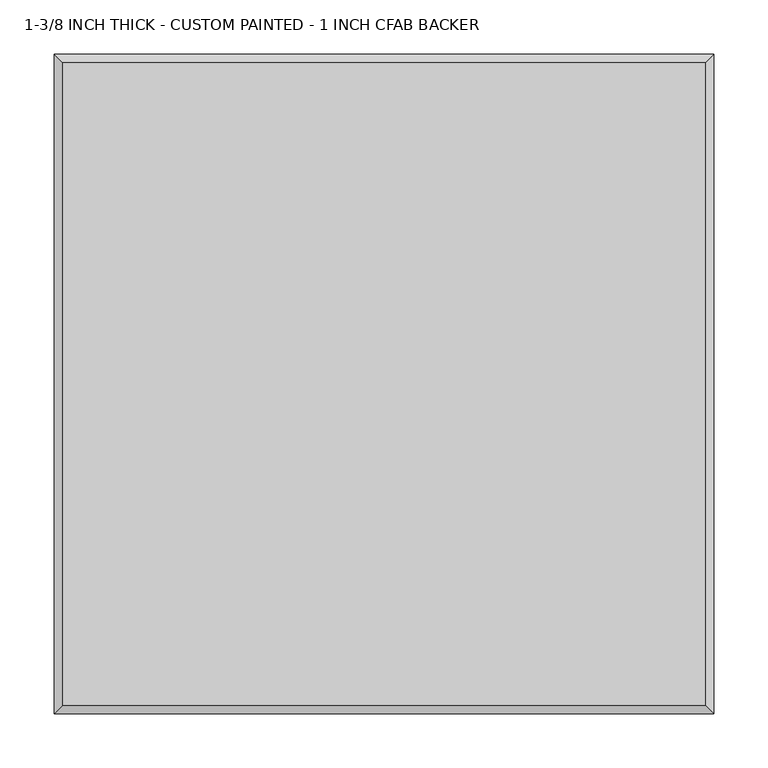
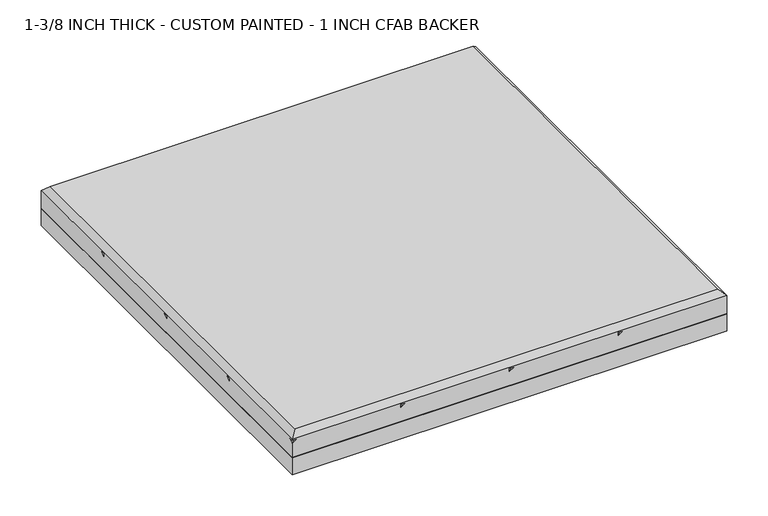
"""IFC4 building model written with IfcOpenShell, lengths in millimetres: proxy geometry, 1-3/8 INCH THICK - CUSTOM PAINTED - 1 INCH CFAB BACKER."""

import ifcopenshell
import ifcopenshell.guid

model = None  # the IFC model being written
_history = None  # IfcOwnerHistory: only IFC2X3 demands one
_inside = {}  # id of a spatial element -> (the spatial element, [elements in it])
_under = {}  # id of a project, library or spatial element -> (it, [spatial elements below it])
_declared = {}  # id of a project -> (the project, [libraries it declares])
_typed = {}  # id of a type object -> (the type object, [elements of that type])
_made_of = {}  # id of a material, layer set ... -> (it, [elements and type objects made of it])


def new_model(schema):
    """Start an empty IFC model of exactly this schema.

    Asked for "IFC4X3", IfcOpenShell would pick the latest addendum, in which some entities
    have other attributes; the version numbers below select the first issue.
    IFC2X3 requires an IfcOwnerHistory on every rooted entity: one is made here for all.
    """
    global model, _history
    if schema == "IFC4X3":
        model = ifcopenshell.file(schema_version=(4, 3, 0, 0))
    else:
        model = ifcopenshell.file(schema=schema)
    _inside.clear()
    _under.clear()
    _declared.clear()
    _typed.clear()
    _made_of.clear()
    _history = None
    if model.schema == "IFC2X3":
        org = make("IfcOrganization", Name="unknown")
        user = make(
            "IfcPersonAndOrganization",
            ThePerson=make("IfcPerson", FamilyName="unknown"),
            TheOrganization=org,
        )
        app = make(
            "IfcApplication",
            ApplicationDeveloper=org,
            Version="unknown",
            ApplicationFullName="unknown",
            ApplicationIdentifier="unknown",
        )
        _history = make(
            "IfcOwnerHistory",
            OwningUser=user,
            OwningApplication=app,
            ChangeAction="ADDED",
            CreationDate=0,
        )
    return model


def make(cls, **values):
    """One entity of the class cls with the attributes given. An attribute that is None is left unset."""
    return model.create_entity(
        cls, **{name: value for name, value in values.items() if value is not None}
    )


def rooted(cls, **values):
    """An entity with a GlobalId (a new one), such as an element, a storey or a relation."""
    return make(cls, GlobalId=ifcopenshell.guid.new(), OwnerHistory=_history, **values)


def si_unit(unit_type, name, prefix=None):
    """IfcSIUnit, for example si_unit("LENGTHUNIT", "METRE", prefix="MILLI")."""
    return make("IfcSIUnit", UnitType=unit_type, Prefix=prefix, Name=name)


def assignment(units):
    """IfcUnitAssignment: the units of a project."""
    return None if units is None else make("IfcUnitAssignment", Units=units)


def point(xyz):
    """IfcCartesianPoint."""
    return None if xyz is None else make("IfcCartesianPoint", Coordinates=xyz)


def direction(xyz):
    """IfcDirection."""
    return None if xyz is None else make("IfcDirection", DirectionRatios=xyz)


def frame(location, z_axis=None, x_axis=None):
    """IfcAxis2Placement3D, a coordinate frame: its origin and axes. An axis left out is left unset."""
    return make(
        "IfcAxis2Placement3D",
        Location=point(location),
        Axis=direction(z_axis),
        RefDirection=direction(x_axis),
    )


def origin():
    """The frame at (0, 0, 0) with its axes left unset."""
    return frame((0.0, 0.0, 0.0))


def place(relative_to, where):
    """IfcLocalPlacement: puts the frame where relative to a parent placement (None: the world)."""
    return make(
        "IfcLocalPlacement", PlacementRelTo=relative_to, RelativePlacement=where
    )


def context(
    kind, dimensions, precision=None, world=None, true_north=None, identifier=None
):
    """IfcGeometricRepresentationContext, for example the 3D "Model" context."""
    return make(
        "IfcGeometricRepresentationContext",
        ContextIdentifier=identifier,
        ContextType=kind,
        CoordinateSpaceDimension=dimensions,
        Precision=precision,
        WorldCoordinateSystem=world,
        TrueNorth=true_north,
    )


def project(units=None, contexts=None):
    """IfcProject with its units and contexts."""
    return rooted(
        "IfcProject",
        Name="project",
        RepresentationContexts=contexts,
        UnitsInContext=assignment(units),
    )


def spatial(cls, under=None, at=None, **own):
    """A site, building, storey or space (cls), placed at a placement, below another one or the project."""
    s = rooted(cls, ObjectPlacement=at, **own)
    if under is not None:
        _under.setdefault(under.id(), (under, []))[1].append(s)
    return s


def polyline(points):
    """IfcPolyline through the points."""
    return make("IfcPolyline", Points=[point(p) for p in points])


def outline(outer, holes=None, kind="AREA"):
    """IfcArbitraryClosedProfileDef: a profile drawn as a closed curve; with holes, ...WithVoids."""
    if holes is None:
        return make("IfcArbitraryClosedProfileDef", ProfileType=kind, OuterCurve=outer)
    return make(
        "IfcArbitraryProfileDefWithVoids",
        ProfileType=kind,
        OuterCurve=outer,
        InnerCurves=holes,
    )


def extrude(swept, where, along, depth):
    """IfcExtrudedAreaSolid: the profile swept, set in the frame where, extruded along a direction by depth."""
    return make(
        "IfcExtrudedAreaSolid",
        SweptArea=swept,
        Position=where,
        ExtrudedDirection=direction(along),
        Depth=depth,
    )


def faces_of(points, faces, orient=None, outer=None):
    """IfcFace entities. A face is a list of loops; a loop is a list of indices into points, from 0.

    orient and outer hold one flag for each loop. By default every Orientation is true, the
    first loop of a face is its IfcFaceOuterBound and the others are IfcFaceBound.
    """
    made = []
    for i, loops in enumerate(faces):
        bounds = []
        for j, loop in enumerate(loops):
            is_outer = j == 0 if outer is None else outer[i][j]
            bounds.append(
                make(
                    "IfcFaceOuterBound" if is_outer else "IfcFaceBound",
                    Bound=make("IfcPolyLoop", Polygon=[points[k] for k in loop]),
                    Orientation=True if orient is None else orient[i][j],
                )
            )
        made.append(make("IfcFace", Bounds=bounds))
    return made


def faceted_brep(points, faces, orient=None, outer=None, voids=None):
    """IfcFacetedBrep: a solid bounded by flat faces; with voids (closed shells), ...WithVoids."""
    shared = [point(p) for p in points]
    hull = make("IfcClosedShell", CfsFaces=faces_of(shared, faces, orient, outer))
    if voids is None:
        return make("IfcFacetedBrep", Outer=hull)
    return make(
        "IfcFacetedBrepWithVoids",
        Outer=hull,
        Voids=[
            make(cls, CfsFaces=faces_of(shared, fs, o, b)) for cls, fs, o, b in voids
        ],
    )


def shape(context_of_items, identifier, shape_type, items):
    """IfcShapeRepresentation: the items that make up one representation, for example the "Body"."""
    return make(
        "IfcShapeRepresentation",
        ContextOfItems=context_of_items,
        RepresentationIdentifier=identifier,
        RepresentationType=shape_type,
        Items=items,
    )


def source(mapping_origin, context_of_items, identifier, shape_type, items):
    """IfcRepresentationMap: a shape defined once, which mapped items show again and again."""
    return make(
        "IfcRepresentationMap",
        MappingOrigin=mapping_origin,
        MappedRepresentation=shape(context_of_items, identifier, shape_type, items),
    )


def transform(
    local_origin,
    x_axis=None,
    y_axis=None,
    z_axis=None,
    scale=None,
    scale2=None,
    scale3=None,
    uniform=True,
):
    """IfcCartesianTransformationOperator3D, or its non-uniform kind. x_axis, y_axis, z_axis: its Axis1, 2, 3."""
    if uniform:
        return make(
            "IfcCartesianTransformationOperator3D",
            Axis1=direction(x_axis),
            Axis2=direction(y_axis),
            LocalOrigin=point(local_origin),
            Scale=scale,
            Axis3=direction(z_axis),
        )
    return make(
        "IfcCartesianTransformationOperator3DnonUniform",
        Axis1=direction(x_axis),
        Axis2=direction(y_axis),
        LocalOrigin=point(local_origin),
        Scale=scale,
        Axis3=direction(z_axis),
        Scale2=scale2,
        Scale3=scale3,
    )


def mapped(mapping_source, mapping_target):
    """IfcMappedItem: shows the shape of a source again, moved by a transform."""
    return make(
        "IfcMappedItem", MappingSource=mapping_source, MappingTarget=mapping_target
    )


def made_of(thing, what):
    """Note that an element or type object is made of a material, layer set ...; save() writes the relation."""
    if what is not None:
        _made_of.setdefault(what.id(), (what, []))[1].append(thing)
    return thing


def element(
    cls,
    number,
    at=None,
    inside=None,
    cuts=None,
    type_object=None,
    material=None,
    context=None,
    identifier="Body",
    shape_type=None,
    held_by="IfcProductDefinitionShape",
    body=None,
    shapes=None,
    **own,
):
    """One element of the class cls, such as IfcWall. Its Tag is "e" and its number.

    at: its placement. inside: the storey or other place that contains it. cuts: it is an
    opening in that element (IfcRelVoidsElement). A single representation is given by context,
    identifier, shape_type and body (its items); several are given by shapes. held_by: the class
    of the entity that holds the representations. save() writes the other relations.
    """
    e = rooted(cls, Tag="e%d" % number, ObjectPlacement=at, **own)
    if body is not None:
        shapes = [shape(context, identifier, shape_type, body)]
    if shapes is not None:
        e.Representation = make(held_by, Representations=shapes)
    if inside is not None:
        _inside.setdefault(inside.id(), (inside, []))[1].append(e)
    if cuts is not None:
        rooted(
            "IfcRelVoidsElement", RelatingBuildingElement=cuts, RelatedOpeningElement=e
        )
    if type_object is not None:
        _typed.setdefault(type_object.id(), (type_object, []))[1].append(e)
    return made_of(e, material)


def aggregate(whole, parts):
    """IfcRelAggregates: a whole, such as a stair, and the parts it consists of."""
    return rooted("IfcRelAggregates", RelatingObject=whole, RelatedObjects=parts)


def save(model, path):
    """Write the relations noted so far, then the file.

    IfcRelAggregates (storeys below a building ...), IfcRelContainedInSpatialStructure (elements
    in a storey), IfcRelDefinesByType, IfcRelAssociatesMaterial and IfcRelDeclares: one each for
    every whole, place, type object, material and project.
    """
    for whole, parts in _under.values():
        aggregate(whole, parts)
    for where, things in _inside.values():
        rooted(
            "IfcRelContainedInSpatialStructure",
            RelatedElements=things,
            RelatingStructure=where,
        )
    for kind, things in _typed.values():
        rooted("IfcRelDefinesByType", RelatedObjects=things, RelatingType=kind)
    for what, things in _made_of.values():
        rooted("IfcRelAssociatesMaterial", RelatedObjects=things, RelatingMaterial=what)
    for by, libraries in _declared.values():
        rooted("IfcRelDeclares", RelatingContext=by, RelatedDefinitions=libraries)
    model.write(path)


def proxy_1_3_8_inch_thick_custom_painted_1_inch_cfab_backer_384e04b5(model_context):
    return source(origin(), model_context, "Body", "SolidModel", [
        extrude(outline(polyline([(-304.8, 304.8), (304.8, 304.8), (304.8, -304.8), (-304.8, -304.8), (-304.8, 304.8)])), frame((0.0, 0.0, -25.4), z_axis=(0.0, 0.0, 1.0), x_axis=(1.0, 0.0, 0.0)), (0.0, 0.0, 1.0), 25.4),
        faceted_brep([(296.799, 296.799, 34.925), (-296.799, 296.799, 34.925), (-296.799, -296.799, 34.925), (296.799, -296.799, 34.925), (-304.8, 304.8, 0.0), (304.8, 304.8, 0.0), (304.8, -304.8, 0.0), (-304.8, -304.8, 0.0), (-304.8, -304.8, 21.3995359), (-304.8, -299.1424894, 25.4), (-304.8, -304.8, 25.4), (-304.8, -304.8, 26.924), (-304.8, 304.8, 26.924), (-304.8, -152.3999238, 21.3996078), (-304.8, -146.7425148, 25.4), (-304.8, -152.3999238, 25.4), (-304.8, 7.62e-05, 21.3996078), (-304.8, 5.6574852, 25.4), (-304.8, 7.62e-05, 25.4), (-304.8, 152.4000762, 21.3996078), (-304.8, 158.0574852, 25.4), (-304.8, 152.4000762, 25.4), (304.8, -304.8, 26.924), (-299.1423878, -304.8, 25.4), (-146.7424132, -304.8, 25.4), (-152.3999577, -304.8, 21.399512), (-152.3999238, -304.8, 25.4), (5.6575868, -304.8, 25.4), (4.23e-05, -304.8, 21.399512), (7.62e-05, -304.8, 25.4), (158.0575868, -304.8, 25.4), (152.4000423, -304.8, 21.399512), (152.4000762, -304.8, 25.4), (304.8, 304.8, 21.3995359), (304.8, 299.1423878, 25.4), (304.8, 304.8, 25.4), (304.8, 304.8, 26.924), (304.8, 152.4000762, 25.4), (304.8, 152.4000762, 21.3995), (304.8, 146.7424132, 25.4), (304.8, 7.62e-05, 25.4), (304.8, 7.62e-05, 21.3995), (304.8, -5.6575868, 25.4), (304.8, -152.3999238, 25.4), (304.8, -152.3999238, 21.3995), (304.8, -158.0575868, 25.4), (299.1424894, 304.8, 25.4), (152.4000762, 304.8, 21.3995), (152.4000762, 304.8, 25.4), (146.7425148, 304.8, 25.4), (7.62e-05, 304.8, 21.3995), (7.62e-05, 304.8, 25.4), (-5.6574852, 304.8, 25.4), (-152.3999238, 304.8, 21.3995), (-152.3999238, 304.8, 25.4), (-158.0574852, 304.8, 25.4), (301.9712701, 155.2288061, 25.4), (-155.2287299, -301.9711939, 25.4), (301.9712701, 2.8288061, 25.4), (-2.8287299, -301.9711939, 25.4), (301.9712701, -149.5711939, 25.4), (149.5712701, -301.9711939, 25.4), (155.2288569, 301.9712193, 25.4), (-301.9711431, -155.2287807, 25.4), (2.8288569, 301.9712193, 25.4), (-301.9711431, -2.8287807, 25.4), (-149.5711431, 301.9712193, 25.4), (-301.9711431, 149.5712193, 25.4)], [[[0, 1, 2, 3]], [[4, 5, 6, 7]], [[4, 7, 8, 9, 10, 11, 12], [13, 14, 15], [16, 17, 18], [19, 20, 21]], [[7, 6, 22, 11, 10, 23, 8], [24, 25, 26], [27, 28, 29], [30, 31, 32]], [[6, 5, 33, 34, 35, 36, 22], [37, 38, 39], [40, 41, 42], [43, 44, 45]], [[5, 4, 12, 36, 35, 46, 33], [47, 48, 49], [50, 51, 52], [53, 54, 55]], [[12, 1, 0, 36]], [[1, 12, 11, 2]], [[2, 11, 22, 3]], [[36, 0, 3, 22]], [[8, 33, 46, 9]], [[33, 8, 23, 34]], [[38, 56, 57, 25]], [[38, 25, 24, 39]], [[41, 58, 59, 28]], [[41, 28, 27, 42]], [[44, 60, 61, 31]], [[44, 31, 30, 45]], [[62, 47, 13, 63]], [[13, 47, 49, 14]], [[64, 50, 16, 65]], [[16, 50, 52, 17]], [[66, 53, 19, 67]], [[19, 53, 55, 20]], [[34, 23, 10, 9, 46, 35]], [[56, 38, 37]], [[57, 56, 37, 39, 24, 26]], [[25, 57, 26]], [[58, 41, 40]], [[59, 58, 40, 42, 27, 29]], [[28, 59, 29]], [[60, 44, 43]], [[61, 60, 43, 45, 30, 32]], [[31, 61, 32]], [[47, 62, 48]], [[62, 63, 15, 14, 49, 48]], [[63, 13, 15]], [[50, 64, 51]], [[64, 65, 18, 17, 52, 51]], [[65, 16, 18]], [[53, 66, 54]], [[66, 67, 21, 20, 55, 54]], [[67, 19, 21]]]),
    ])


if __name__ == "__main__":
    model = new_model("IFC4")
    model_context = context("Model", 3, world=origin())
    ifc_project = project(units=[si_unit("LENGTHUNIT", "METRE", prefix="MILLI")], contexts=[model_context])
    site = spatial("IfcSite", under=ifc_project)
    building = spatial("IfcBuilding", under=site)
    placement = place(None, origin())
    proxy_1_3_8_inch_thick_custom_painted_1_inch_cfab_backer_shape = proxy_1_3_8_inch_thick_custom_painted_1_inch_cfab_backer_384e04b5(model_context)
    element("IfcBuildingElementProxy", 1, Name="1-3/8 INCH THICK - CUSTOM PAINTED - 1 INCH CFAB BACKER", ObjectType="1-3/8 INCH THICK - CUSTOM PAINTED - 1 INCH CFAB BACKER", at=placement, inside=building, context=model_context, shape_type="MappedRepresentation", body=[
        mapped(proxy_1_3_8_inch_thick_custom_painted_1_inch_cfab_backer_shape, transform((0.0, 0.0, 0.0), x_axis=(1.0, 0.0, 0.0), y_axis=(0.0, 1.0, 0.0), z_axis=(0.0, 0.0, 1.0))),
    ])
    save(model, "model.ifc")
